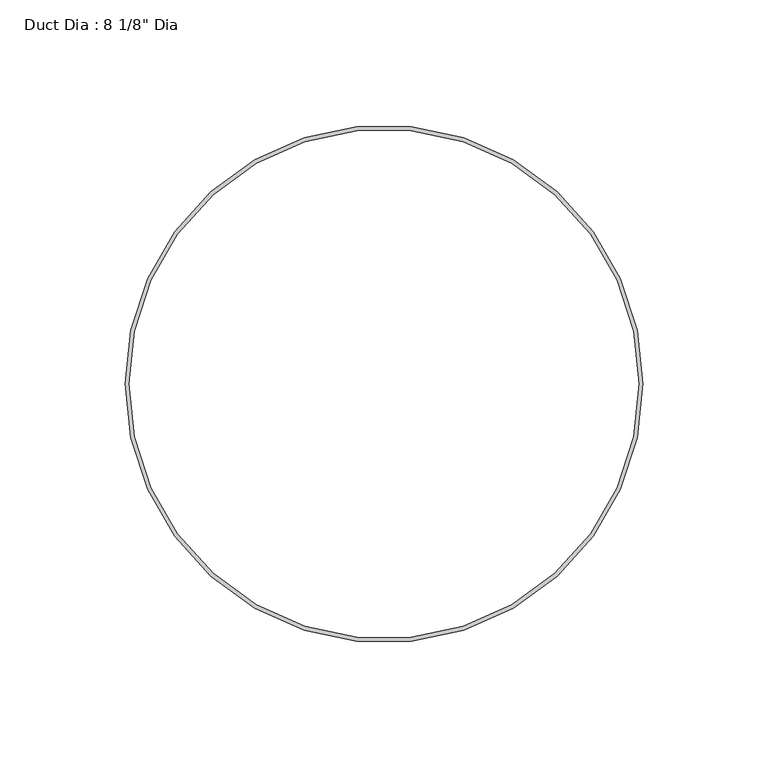
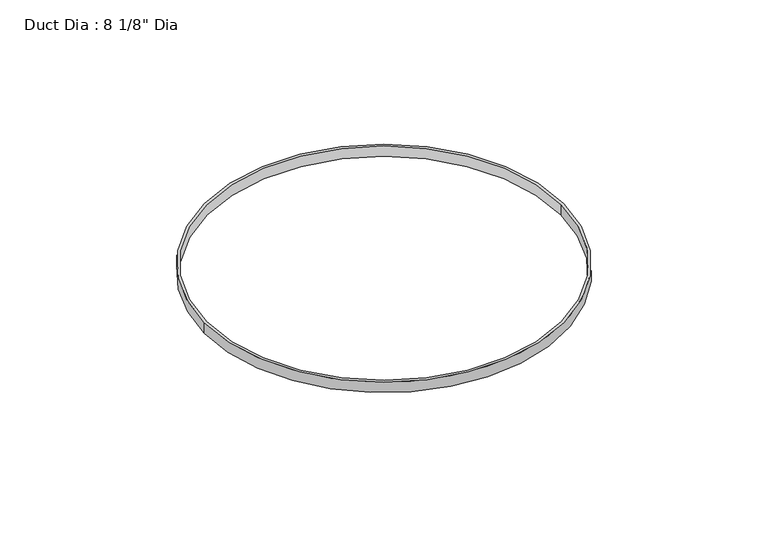
"""IFC4 building model written with IfcOpenShell, lengths in millimetres: proxy geometry."""

from ifc_helpers import new_model, si_unit, point, origin, origin_with_axes, origin_2d, place, context, project, spatial, circle_curve, trimmed, segment, composite_curve, outline, extrude, source, transform, mapped, element, save


def proxy_c1ba4f62(model_context):
    return source(origin(), model_context, "Body", "SweptSolid", [
        extrude(outline(composite_curve([segment(trimmed(circle_curve(origin_2d(), 103.1875), [point((-103.1875, 0.0))], [point((103.1875, 0.0))], False, "CARTESIAN"), True, "CONTINUOUS"), segment(trimmed(circle_curve(origin_2d(), 103.1875), [point((103.1875, 0.0))], [point((-103.1875, 0.0))], False, "CARTESIAN"), True, "CONTINUOUS")], self_intersect=False), holes=[composite_curve([segment(trimmed(circle_curve(origin_2d(), 101.6), [point((-101.6, 0.0))], [point((101.6, 0.0))], True, "CARTESIAN"), True, "CONTINUOUS"), segment(trimmed(circle_curve(origin_2d(), 101.6), [point((101.6, 0.0))], [point((-101.6, 0.0))], True, "CARTESIAN"), True, "CONTINUOUS")], self_intersect=False)]), origin_with_axes(), (0.0, 0.0, 1.0), 6.35),
    ])


if __name__ == "__main__":
    model = new_model("IFC4")
    model_context = context("Model", 3, world=origin())
    ifc_project = project(units=[si_unit("LENGTHUNIT", "METRE", prefix="MILLI")], contexts=[model_context])
    site = spatial("IfcSite", under=ifc_project)
    building = spatial("IfcBuilding", under=site)
    placement = place(None, origin())
    proxy_shape = proxy_c1ba4f62(model_context)
    element("IfcBuildingElementProxy", 1, Name="Duct Dia : 8 1/8\" Dia", ObjectType="Duct Dia : 8 1/8\" Dia", at=placement, inside=building, context=model_context, shape_type="MappedRepresentation", body=[
        mapped(proxy_shape, transform((0.0, 0.0, 0.0), x_axis=(1.0, 0.0, 0.0), y_axis=(0.0, 1.0, 0.0), z_axis=(0.0, 0.0, 1.0))),
    ])
    save(model, "model.ifc")
